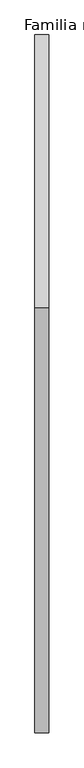
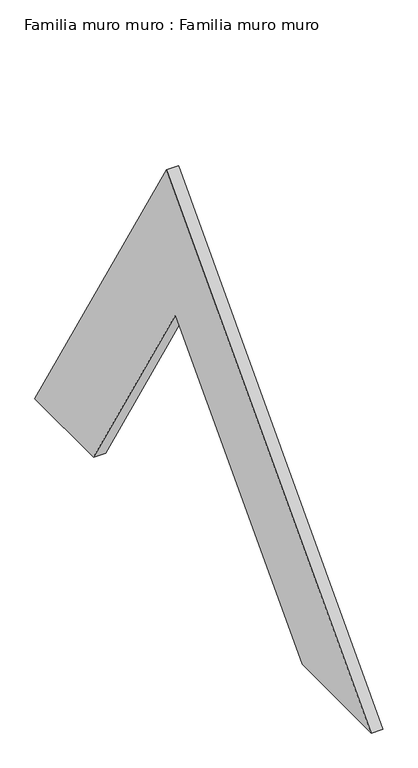
"""IFC4 building model written with IfcOpenShell, lengths in millimetres: plate geometry, Familia muro muro : Familia muro muro."""

from ifc_helpers import new_model, si_unit, frame, origin, place, context, project, spatial, polyline, outline, extrude, source, transform, mapped, element, save


def familia_muro_muro_familia_muro_muro_c5749528(model_context):
    return source(origin(), model_context, "Body", "SweptSolid", [
        extrude(outline(polyline([(-391.8547927, 652.1558915), (0.0, 0.0), (-174.9950096, 0.0), (-417.9080962, 404.2752661), (-794.9008808, 0.0), (-1000.0, 0.0), (-391.8547927, 652.1558915)])), frame((0.0, 0.0, 0.0), z_axis=(1.0, 0.0, 0.0), x_axis=(0.0, 1.0, 0.0)), (0.0, 0.0, 1.0), 20.0),
    ])


if __name__ == "__main__":
    model = new_model("IFC4")
    model_context = context("Model", 3, world=origin())
    ifc_project = project(units=[si_unit("LENGTHUNIT", "METRE", prefix="MILLI")], contexts=[model_context])
    site = spatial("IfcSite", under=ifc_project)
    building = spatial("IfcBuilding", under=site)
    placement = place(None, origin())
    familia_muro_muro_familia_muro_muro_shape = familia_muro_muro_familia_muro_muro_c5749528(model_context)
    element("IfcPlate", 1, ObjectType="Familia muro muro : Familia muro muro", at=placement, inside=building, context=model_context, shape_type="MappedRepresentation", body=[
        mapped(familia_muro_muro_familia_muro_muro_shape, transform((0.0, 0.0, 0.0), x_axis=(1.0, 0.0, 0.0), y_axis=(0.0, 1.0, 0.0), z_axis=(0.0, 0.0, 1.0))),
    ])
    save(model, "model.ifc")
